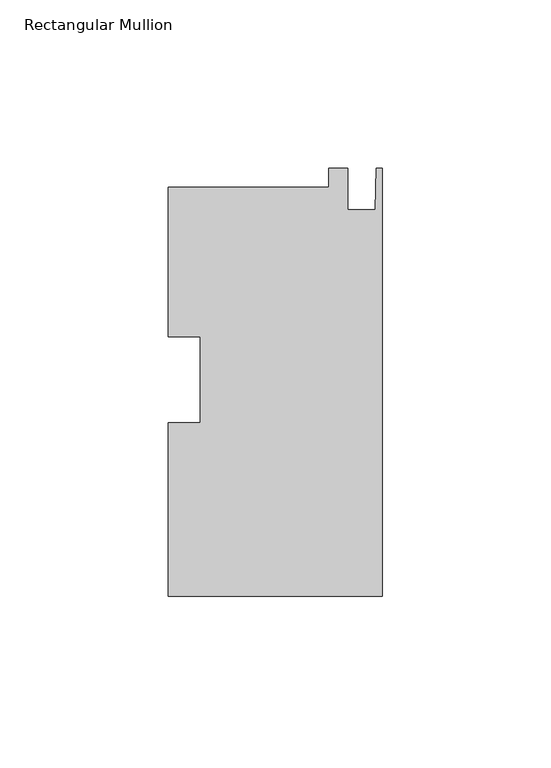
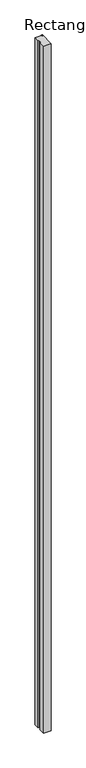
"""IFC4 building model written with IfcOpenShell, lengths in millimetres: member geometry, Rectangular Mullion."""

from ifc_helpers import new_model, si_unit, frame, origin, place, context, project, spatial, polyline, outline, extrude, source, transform, mapped, element, save


def rectangular_mullion_fb44f73d(model_context):
    return source(origin(), model_context, "Body", "SweptSolid", [
        extrude(outline(polyline([(0.0, -64.3020293), (-63.5, -64.3020293), (-63.5, -12.7695684), (-53.975, -12.7695684), (-53.975, 12.7181299), (-63.5, 12.7181299), (-63.5, 57.1353707), (-15.8694428, 57.1353707), (-15.8694428, 62.6979707), (-10.3124, 62.6979707), (-10.3124, 50.3535707), (-2.032, 50.3535707), (-1.778, 62.6979707), (0.0, 62.6979707), (0.0, -64.3020293)])), frame((0.0, 0.0, -6000.75), z_axis=(0.0, 0.0, 1.0), x_axis=(1.0, 0.0, 0.0)), (0.0, 0.0, 1.0), 6000.75),
    ])


if __name__ == "__main__":
    model = new_model("IFC4")
    model_context = context("Model", 3, world=origin())
    ifc_project = project(units=[si_unit("LENGTHUNIT", "METRE", prefix="MILLI")], contexts=[model_context])
    site = spatial("IfcSite", under=ifc_project)
    building = spatial("IfcBuilding", under=site)
    placement = place(None, origin())
    rectangular_mullion_shape = rectangular_mullion_fb44f73d(model_context)
    element("IfcMember", 1, ObjectType="Rectangular Mullion", at=placement, inside=building, context=model_context, shape_type="MappedRepresentation", body=[
        mapped(rectangular_mullion_shape, transform((0.0, 0.0, 0.0), x_axis=(1.0, 0.0, 0.0), y_axis=(0.0, 1.0, 0.0), z_axis=(0.0, 0.0, 1.0))),
    ])
    save(model, "model.ifc")
